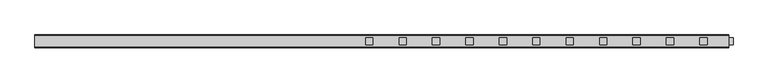
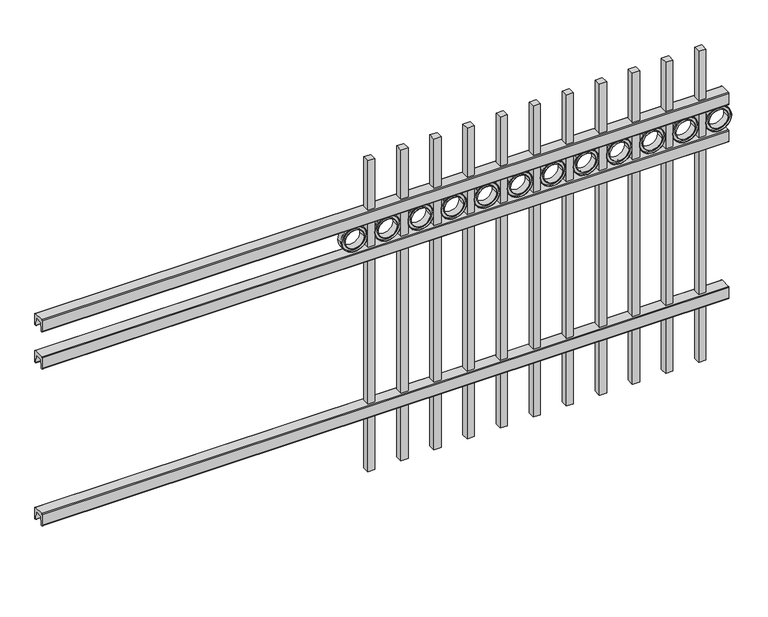
"""IFC4 building model written with IfcOpenShell, lengths in millimetres: railing geometry."""

from ifc_helpers import new_model, si_unit, point, frame, frame_2d, origin, place, context, project, spatial, polyline, circle_curve, trimmed, segment, composite_curve, outline, extrude, source, transform, mapped, element, save


def railing_80511166(model_context):
    return source(origin(), model_context, "Body", "SweptSolid", [
        extrude(outline(composite_curve([segment(polyline([(13397.9139761, 304.8), (13435.969541, 304.8)]), True, "CONTINUOUS"), segment(trimmed(circle_curve(frame_2d((13435.969541, 301.625)), 3.175), [point((13435.969541, 304.8))], [point((13439.144541, 301.625))], False, "CARTESIAN"), True, "CONTINUOUS"), segment(polyline([(13439.144541, 301.625), (13439.144541, 262.1439893)]), True, "CONTINUOUS"), segment(trimmed(circle_curve(frame_2d((13437.3505518, 262.1439893)), 1.7939893), [point((13439.144541, 262.1439893))], [point((13437.3505518, 260.35))], False, "CARTESIAN"), True, "CONTINUOUS"), segment(polyline([(13437.3505518, 260.35), (13434.7590713, 260.35)]), True, "CONTINUOUS"), segment(trimmed(circle_curve(frame_2d((13434.7590713, 262.1359375)), 1.7859375), [point((13434.7590713, 260.35))], [point((13432.9755813, 262.0424688))], False, "CARTESIAN"), True, "CONTINUOUS"), segment(polyline([(13432.9755813, 262.0424688), (13431.4025867, 292.0569942), (13402.4364954, 292.0569942), (13400.8635007, 262.0424688)]), True, "CONTINUOUS"), segment(trimmed(circle_curve(frame_2d((13399.0800108, 262.1359375)), 1.7859375), [point((13400.8635007, 262.0424688))], [point((13399.0800108, 260.35))], False, "CARTESIAN"), True, "CONTINUOUS"), segment(polyline([(13399.0800108, 260.35), (13396.4804785, 260.35)]), True, "CONTINUOUS"), segment(trimmed(circle_curve(frame_2d((13396.4804785, 262.1359375)), 1.7859375), [point((13396.4804785, 260.35))], [point((13394.694541, 262.1359375))], False, "CARTESIAN"), True, "CONTINUOUS"), segment(polyline([(13394.694541, 262.1359375), (13394.694541, 301.5805649)]), True, "CONTINUOUS"), segment(trimmed(circle_curve(frame_2d((13397.9139761, 301.5805649)), 3.2194351), [point((13394.694541, 301.5805649))], [point((13397.9139761, 304.8))], False, "CARTESIAN"), True, "CONTINUOUS")], self_intersect=False)), frame((11485.3350064, 0.0, 0.0), z_axis=(1.0, 0.0, 0.0), x_axis=(0.0, 1.0, 0.0)), (0.0, 0.0, 1.0), 2438.4),
        extrude(outline(composite_curve([segment(polyline([(13397.9139761, 893.7625), (13435.969541, 893.7625)]), True, "CONTINUOUS"), segment(trimmed(circle_curve(frame_2d((13435.969541, 890.5875)), 3.175), [point((13435.969541, 893.7625))], [point((13439.144541, 890.5875))], False, "CARTESIAN"), True, "CONTINUOUS"), segment(polyline([(13439.144541, 890.5875), (13439.144541, 851.1064893)]), True, "CONTINUOUS"), segment(trimmed(circle_curve(frame_2d((13437.3505518, 851.1064893)), 1.7939893), [point((13439.144541, 851.1064893))], [point((13437.3505518, 849.3125))], False, "CARTESIAN"), True, "CONTINUOUS"), segment(polyline([(13437.3505518, 849.3125), (13434.7590713, 849.3125)]), True, "CONTINUOUS"), segment(trimmed(circle_curve(frame_2d((13434.7590713, 851.0984375)), 1.7859375), [point((13434.7590713, 849.3125))], [point((13432.9755813, 851.0049688))], False, "CARTESIAN"), True, "CONTINUOUS"), segment(polyline([(13432.9755813, 851.0049688), (13431.4025867, 881.0194942), (13402.4364954, 881.0194942), (13400.8635007, 851.0049688)]), True, "CONTINUOUS"), segment(trimmed(circle_curve(frame_2d((13399.0800108, 851.0984375)), 1.7859375), [point((13400.8635007, 851.0049688))], [point((13399.0800108, 849.3125))], False, "CARTESIAN"), True, "CONTINUOUS"), segment(polyline([(13399.0800108, 849.3125), (13396.4804785, 849.3125)]), True, "CONTINUOUS"), segment(trimmed(circle_curve(frame_2d((13396.4804785, 851.0984375)), 1.7859375), [point((13396.4804785, 849.3125))], [point((13394.694541, 851.0984375))], False, "CARTESIAN"), True, "CONTINUOUS"), segment(polyline([(13394.694541, 851.0984375), (13394.694541, 890.5430649)]), True, "CONTINUOUS"), segment(trimmed(circle_curve(frame_2d((13397.9139761, 890.5430649)), 3.2194351), [point((13394.694541, 890.5430649))], [point((13397.9139761, 893.7625))], False, "CARTESIAN"), True, "CONTINUOUS")], self_intersect=False)), frame((11485.3350064, 0.0, 0.0), z_axis=(1.0, 0.0, 0.0), x_axis=(0.0, 1.0, 0.0)), (0.0, 0.0, 1.0), 2438.4),
        extrude(outline(composite_curve([segment(polyline([(13397.9139761, 1033.4625), (13435.969541, 1033.4625)]), True, "CONTINUOUS"), segment(trimmed(circle_curve(frame_2d((13435.969541, 1030.2875)), 3.175), [point((13435.969541, 1033.4625))], [point((13439.144541, 1030.2875))], False, "CARTESIAN"), True, "CONTINUOUS"), segment(polyline([(13439.144541, 1030.2875), (13439.144541, 990.8064893)]), True, "CONTINUOUS"), segment(trimmed(circle_curve(frame_2d((13437.3505518, 990.8064893)), 1.7939893), [point((13439.144541, 990.8064893))], [point((13437.3505518, 989.0125))], False, "CARTESIAN"), True, "CONTINUOUS"), segment(polyline([(13437.3505518, 989.0125), (13434.7590713, 989.0125)]), True, "CONTINUOUS"), segment(trimmed(circle_curve(frame_2d((13434.7590713, 990.7984375)), 1.7859375), [point((13434.7590713, 989.0125))], [point((13432.9755813, 990.7049688))], False, "CARTESIAN"), True, "CONTINUOUS"), segment(polyline([(13432.9755813, 990.7049688), (13431.4025867, 1020.7194942), (13402.4364954, 1020.7194942), (13400.8635007, 990.7049688)]), True, "CONTINUOUS"), segment(trimmed(circle_curve(frame_2d((13399.0800108, 990.7984375)), 1.7859375), [point((13400.8635007, 990.7049688))], [point((13399.0800108, 989.0125))], False, "CARTESIAN"), True, "CONTINUOUS"), segment(polyline([(13399.0800108, 989.0125), (13396.4804785, 989.0125)]), True, "CONTINUOUS"), segment(trimmed(circle_curve(frame_2d((13396.4804785, 990.7984375)), 1.7859375), [point((13396.4804785, 989.0125))], [point((13394.694541, 990.7984375))], False, "CARTESIAN"), True, "CONTINUOUS"), segment(polyline([(13394.694541, 990.7984375), (13394.694541, 1030.2430649)]), True, "CONTINUOUS"), segment(trimmed(circle_curve(frame_2d((13397.9139761, 1030.2430649)), 3.2194351), [point((13394.694541, 1030.2430649))], [point((13397.9139761, 1033.4625))], False, "CARTESIAN"), True, "CONTINUOUS")], self_intersect=False)), frame((11485.3350064, 0.0, 0.0), z_axis=(1.0, 0.0, 0.0), x_axis=(0.0, 1.0, 0.0)), (0.0, 0.0, 1.0), 2438.4),
        extrude(outline(composite_curve([segment(trimmed(circle_curve(frame_2d((940.6040076, 13893.2338655)), 45.6988591), [point((940.6040076, 13938.9327246))], [point((940.6040076, 13847.5350064))], False, "CARTESIAN"), True, "CONTINUOUS"), segment(trimmed(circle_curve(frame_2d((940.6040076, 13893.2338655)), 45.6988591), [point((940.6040076, 13847.5350064))], [point((940.6040076, 13938.9327246))], False, "CARTESIAN"), True, "CONTINUOUS")], self_intersect=False), holes=[composite_curve([segment(trimmed(circle_curve(frame_2d((940.6040076, 13893.2338655)), 44.101539), [point((940.6040076, 13937.3354045))], [point((940.6040076, 13849.1323265))], True, "CARTESIAN"), True, "CONTINUOUS"), segment(trimmed(circle_curve(frame_2d((940.6040076, 13893.2338655)), 44.101539), [point((940.6040076, 13849.1323265))], [point((940.6040076, 13937.3354045))], True, "CARTESIAN"), True, "CONTINUOUS")], self_intersect=False)]), frame((0.0, 13404.219541, 0.0), z_axis=(0.0, 1.0, 0.0), x_axis=(0.0, 0.0, 1.0)), (0.0, 0.0, 1.0), 25.4),
        extrude(outline(composite_curve([segment(trimmed(circle_curve(frame_2d((940.6040076, 13893.2338655)), 34.6370762), [point((940.6040076, 13927.8709417))], [point((940.6040076, 13858.5967893))], False, "CARTESIAN"), True, "CONTINUOUS"), segment(trimmed(circle_curve(frame_2d((940.6040076, 13893.2338655)), 34.6370762), [point((940.6040076, 13858.5967893))], [point((940.6040076, 13927.8709417))], False, "CARTESIAN"), True, "CONTINUOUS")], self_intersect=False), holes=[composite_curve([segment(trimmed(circle_curve(frame_2d((940.6040076, 13893.2338655)), 33.0443887), [point((940.6040076, 13926.2782542))], [point((940.6040076, 13860.1894768))], True, "CARTESIAN"), True, "CONTINUOUS"), segment(trimmed(circle_curve(frame_2d((940.6040076, 13893.2338655)), 33.0443887), [point((940.6040076, 13860.1894768))], [point((940.6040076, 13926.2782542))], True, "CARTESIAN"), True, "CONTINUOUS")], self_intersect=False)]), frame((0.0, 13404.219541, 0.0), z_axis=(0.0, 1.0, 0.0), x_axis=(0.0, 0.0, 1.0)), (0.0, 0.0, 1.0), 25.4),
        extrude(outline(composite_curve([segment(trimmed(circle_curve(frame_2d((940.6040076, 13893.2338655)), 45.6988591), [point((940.6040076, 13938.9327246))], [point((940.6040076, 13847.5350064))], False, "CARTESIAN"), True, "CONTINUOUS"), segment(trimmed(circle_curve(frame_2d((940.6040076, 13893.2338655)), 45.6988591), [point((940.6040076, 13847.5350064))], [point((940.6040076, 13938.9327246))], False, "CARTESIAN"), True, "CONTINUOUS")], self_intersect=False), holes=[composite_curve([segment(trimmed(circle_curve(frame_2d((940.6040076, 13893.2338655)), 33.0443887), [point((940.6040076, 13926.2782542))], [point((940.6040076, 13860.1894768))], True, "CARTESIAN"), True, "CONTINUOUS"), segment(trimmed(circle_curve(frame_2d((940.6040076, 13893.2338655)), 33.0443887), [point((940.6040076, 13860.1894768))], [point((940.6040076, 13926.2782542))], True, "CARTESIAN"), True, "CONTINUOUS")], self_intersect=False)]), frame((0.0, 13410.569541, 0.0), z_axis=(0.0, 1.0, 0.0), x_axis=(0.0, 0.0, 1.0)), (0.0, 0.0, 1.0), 12.7),
        extrude(outline(polyline([(13822.1350064, 13429.619541), (13847.5350064, 13429.619541), (13847.5350064, 13404.219541), (13822.1350064, 13404.219541), (13822.1350064, 13429.619541)])), frame((0.0, 0.0, 50.8), z_axis=(0.0, 0.0, 1.0), x_axis=(1.0, 0.0, 0.0)), (0.0, 0.0, 1.0), 1168.4),
        extrude(outline(composite_curve([segment(trimmed(circle_curve(frame_2d((940.6040076, 13775.7588655)), 45.6988591), [point((940.6040076, 13821.4577246))], [point((940.6040076, 13730.0600064))], False, "CARTESIAN"), True, "CONTINUOUS"), segment(trimmed(circle_curve(frame_2d((940.6040076, 13775.7588655)), 45.6988591), [point((940.6040076, 13730.0600064))], [point((940.6040076, 13821.4577246))], False, "CARTESIAN"), True, "CONTINUOUS")], self_intersect=False), holes=[composite_curve([segment(trimmed(circle_curve(frame_2d((940.6040076, 13775.7588655)), 44.101539), [point((940.6040076, 13819.8604045))], [point((940.6040076, 13731.6573265))], True, "CARTESIAN"), True, "CONTINUOUS"), segment(trimmed(circle_curve(frame_2d((940.6040076, 13775.7588655)), 44.101539), [point((940.6040076, 13731.6573265))], [point((940.6040076, 13819.8604045))], True, "CARTESIAN"), True, "CONTINUOUS")], self_intersect=False)]), frame((0.0, 13404.219541, 0.0), z_axis=(0.0, 1.0, 0.0), x_axis=(0.0, 0.0, 1.0)), (0.0, 0.0, 1.0), 25.4),
        extrude(outline(composite_curve([segment(trimmed(circle_curve(frame_2d((940.6040076, 13775.7588655)), 34.6370762), [point((940.6040076, 13810.3959417))], [point((940.6040076, 13741.1217893))], False, "CARTESIAN"), True, "CONTINUOUS"), segment(trimmed(circle_curve(frame_2d((940.6040076, 13775.7588655)), 34.6370762), [point((940.6040076, 13741.1217893))], [point((940.6040076, 13810.3959417))], False, "CARTESIAN"), True, "CONTINUOUS")], self_intersect=False), holes=[composite_curve([segment(trimmed(circle_curve(frame_2d((940.6040076, 13775.7588655)), 33.0443887), [point((940.6040076, 13808.8032542))], [point((940.6040076, 13742.7144768))], True, "CARTESIAN"), True, "CONTINUOUS"), segment(trimmed(circle_curve(frame_2d((940.6040076, 13775.7588655)), 33.0443887), [point((940.6040076, 13742.7144768))], [point((940.6040076, 13808.8032542))], True, "CARTESIAN"), True, "CONTINUOUS")], self_intersect=False)]), frame((0.0, 13404.219541, 0.0), z_axis=(0.0, 1.0, 0.0), x_axis=(0.0, 0.0, 1.0)), (0.0, 0.0, 1.0), 25.4),
        extrude(outline(composite_curve([segment(trimmed(circle_curve(frame_2d((940.6040076, 13775.7588655)), 45.6988591), [point((940.6040076, 13821.4577246))], [point((940.6040076, 13730.0600064))], False, "CARTESIAN"), True, "CONTINUOUS"), segment(trimmed(circle_curve(frame_2d((940.6040076, 13775.7588655)), 45.6988591), [point((940.6040076, 13730.0600064))], [point((940.6040076, 13821.4577246))], False, "CARTESIAN"), True, "CONTINUOUS")], self_intersect=False), holes=[composite_curve([segment(trimmed(circle_curve(frame_2d((940.6040076, 13775.7588655)), 33.0443887), [point((940.6040076, 13808.8032542))], [point((940.6040076, 13742.7144768))], True, "CARTESIAN"), True, "CONTINUOUS"), segment(trimmed(circle_curve(frame_2d((940.6040076, 13775.7588655)), 33.0443887), [point((940.6040076, 13742.7144768))], [point((940.6040076, 13808.8032542))], True, "CARTESIAN"), True, "CONTINUOUS")], self_intersect=False)]), frame((0.0, 13410.569541, 0.0), z_axis=(0.0, 1.0, 0.0), x_axis=(0.0, 0.0, 1.0)), (0.0, 0.0, 1.0), 12.7),
        extrude(outline(polyline([(13704.6600064, 13429.619541), (13730.0600064, 13429.619541), (13730.0600064, 13404.219541), (13704.6600064, 13404.219541), (13704.6600064, 13429.619541)])), frame((0.0, 0.0, 50.8), z_axis=(0.0, 0.0, 1.0), x_axis=(1.0, 0.0, 0.0)), (0.0, 0.0, 1.0), 1168.4),
        extrude(outline(composite_curve([segment(trimmed(circle_curve(frame_2d((940.6040076, 13658.2838655)), 45.6988591), [point((940.6040076, 13703.9827246))], [point((940.6040076, 13612.5850064))], False, "CARTESIAN"), True, "CONTINUOUS"), segment(trimmed(circle_curve(frame_2d((940.6040076, 13658.2838655)), 45.6988591), [point((940.6040076, 13612.5850064))], [point((940.6040076, 13703.9827246))], False, "CARTESIAN"), True, "CONTINUOUS")], self_intersect=False), holes=[composite_curve([segment(trimmed(circle_curve(frame_2d((940.6040076, 13658.2838655)), 44.101539), [point((940.6040076, 13702.3854045))], [point((940.6040076, 13614.1823265))], True, "CARTESIAN"), True, "CONTINUOUS"), segment(trimmed(circle_curve(frame_2d((940.6040076, 13658.2838655)), 44.101539), [point((940.6040076, 13614.1823265))], [point((940.6040076, 13702.3854045))], True, "CARTESIAN"), True, "CONTINUOUS")], self_intersect=False)]), frame((0.0, 13404.219541, 0.0), z_axis=(0.0, 1.0, 0.0), x_axis=(0.0, 0.0, 1.0)), (0.0, 0.0, 1.0), 25.4),
        extrude(outline(composite_curve([segment(trimmed(circle_curve(frame_2d((940.6040076, 13658.2838655)), 34.6370762), [point((940.6040076, 13692.9209417))], [point((940.6040076, 13623.6467893))], False, "CARTESIAN"), True, "CONTINUOUS"), segment(trimmed(circle_curve(frame_2d((940.6040076, 13658.2838655)), 34.6370762), [point((940.6040076, 13623.6467893))], [point((940.6040076, 13692.9209417))], False, "CARTESIAN"), True, "CONTINUOUS")], self_intersect=False), holes=[composite_curve([segment(trimmed(circle_curve(frame_2d((940.6040076, 13658.2838655)), 33.0443887), [point((940.6040076, 13691.3282542))], [point((940.6040076, 13625.2394768))], True, "CARTESIAN"), True, "CONTINUOUS"), segment(trimmed(circle_curve(frame_2d((940.6040076, 13658.2838655)), 33.0443887), [point((940.6040076, 13625.2394768))], [point((940.6040076, 13691.3282542))], True, "CARTESIAN"), True, "CONTINUOUS")], self_intersect=False)]), frame((0.0, 13404.219541, 0.0), z_axis=(0.0, 1.0, 0.0), x_axis=(0.0, 0.0, 1.0)), (0.0, 0.0, 1.0), 25.4),
        extrude(outline(composite_curve([segment(trimmed(circle_curve(frame_2d((940.6040076, 13658.2838655)), 45.6988591), [point((940.6040076, 13703.9827246))], [point((940.6040076, 13612.5850064))], False, "CARTESIAN"), True, "CONTINUOUS"), segment(trimmed(circle_curve(frame_2d((940.6040076, 13658.2838655)), 45.6988591), [point((940.6040076, 13612.5850064))], [point((940.6040076, 13703.9827246))], False, "CARTESIAN"), True, "CONTINUOUS")], self_intersect=False), holes=[composite_curve([segment(trimmed(circle_curve(frame_2d((940.6040076, 13658.2838655)), 33.0443887), [point((940.6040076, 13691.3282542))], [point((940.6040076, 13625.2394768))], True, "CARTESIAN"), True, "CONTINUOUS"), segment(trimmed(circle_curve(frame_2d((940.6040076, 13658.2838655)), 33.0443887), [point((940.6040076, 13625.2394768))], [point((940.6040076, 13691.3282542))], True, "CARTESIAN"), True, "CONTINUOUS")], self_intersect=False)]), frame((0.0, 13410.569541, 0.0), z_axis=(0.0, 1.0, 0.0), x_axis=(0.0, 0.0, 1.0)), (0.0, 0.0, 1.0), 12.7),
        extrude(outline(polyline([(13587.1850064, 13429.619541), (13612.5850064, 13429.619541), (13612.5850064, 13404.219541), (13587.1850064, 13404.219541), (13587.1850064, 13429.619541)])), frame((0.0, 0.0, 50.8), z_axis=(0.0, 0.0, 1.0), x_axis=(1.0, 0.0, 0.0)), (0.0, 0.0, 1.0), 1168.4),
        extrude(outline(composite_curve([segment(trimmed(circle_curve(frame_2d((940.6040076, 13540.8088655)), 45.6988591), [point((940.6040076, 13586.5077246))], [point((940.6040076, 13495.1100064))], False, "CARTESIAN"), True, "CONTINUOUS"), segment(trimmed(circle_curve(frame_2d((940.6040076, 13540.8088655)), 45.6988591), [point((940.6040076, 13495.1100064))], [point((940.6040076, 13586.5077246))], False, "CARTESIAN"), True, "CONTINUOUS")], self_intersect=False), holes=[composite_curve([segment(trimmed(circle_curve(frame_2d((940.6040076, 13540.8088655)), 44.101539), [point((940.6040076, 13584.9104045))], [point((940.6040076, 13496.7073265))], True, "CARTESIAN"), True, "CONTINUOUS"), segment(trimmed(circle_curve(frame_2d((940.6040076, 13540.8088655)), 44.101539), [point((940.6040076, 13496.7073265))], [point((940.6040076, 13584.9104045))], True, "CARTESIAN"), True, "CONTINUOUS")], self_intersect=False)]), frame((0.0, 13404.219541, 0.0), z_axis=(0.0, 1.0, 0.0), x_axis=(0.0, 0.0, 1.0)), (0.0, 0.0, 1.0), 25.4),
        extrude(outline(composite_curve([segment(trimmed(circle_curve(frame_2d((940.6040076, 13540.8088655)), 34.6370762), [point((940.6040076, 13575.4459417))], [point((940.6040076, 13506.1717893))], False, "CARTESIAN"), True, "CONTINUOUS"), segment(trimmed(circle_curve(frame_2d((940.6040076, 13540.8088655)), 34.6370762), [point((940.6040076, 13506.1717893))], [point((940.6040076, 13575.4459417))], False, "CARTESIAN"), True, "CONTINUOUS")], self_intersect=False), holes=[composite_curve([segment(trimmed(circle_curve(frame_2d((940.6040076, 13540.8088655)), 33.0443887), [point((940.6040076, 13573.8532542))], [point((940.6040076, 13507.7644768))], True, "CARTESIAN"), True, "CONTINUOUS"), segment(trimmed(circle_curve(frame_2d((940.6040076, 13540.8088655)), 33.0443887), [point((940.6040076, 13507.7644768))], [point((940.6040076, 13573.8532542))], True, "CARTESIAN"), True, "CONTINUOUS")], self_intersect=False)]), frame((0.0, 13404.219541, 0.0), z_axis=(0.0, 1.0, 0.0), x_axis=(0.0, 0.0, 1.0)), (0.0, 0.0, 1.0), 25.4),
        extrude(outline(composite_curve([segment(trimmed(circle_curve(frame_2d((940.6040076, 13540.8088655)), 45.6988591), [point((940.6040076, 13586.5077246))], [point((940.6040076, 13495.1100064))], False, "CARTESIAN"), True, "CONTINUOUS"), segment(trimmed(circle_curve(frame_2d((940.6040076, 13540.8088655)), 45.6988591), [point((940.6040076, 13495.1100064))], [point((940.6040076, 13586.5077246))], False, "CARTESIAN"), True, "CONTINUOUS")], self_intersect=False), holes=[composite_curve([segment(trimmed(circle_curve(frame_2d((940.6040076, 13540.8088655)), 33.0443887), [point((940.6040076, 13573.8532542))], [point((940.6040076, 13507.7644768))], True, "CARTESIAN"), True, "CONTINUOUS"), segment(trimmed(circle_curve(frame_2d((940.6040076, 13540.8088655)), 33.0443887), [point((940.6040076, 13507.7644768))], [point((940.6040076, 13573.8532542))], True, "CARTESIAN"), True, "CONTINUOUS")], self_intersect=False)]), frame((0.0, 13410.569541, 0.0), z_axis=(0.0, 1.0, 0.0), x_axis=(0.0, 0.0, 1.0)), (0.0, 0.0, 1.0), 12.7),
        extrude(outline(polyline([(13469.7100064, 13429.619541), (13495.1100064, 13429.619541), (13495.1100064, 13404.219541), (13469.7100064, 13404.219541), (13469.7100064, 13429.619541)])), frame((0.0, 0.0, 50.8), z_axis=(0.0, 0.0, 1.0), x_axis=(1.0, 0.0, 0.0)), (0.0, 0.0, 1.0), 1168.4),
        extrude(outline(composite_curve([segment(trimmed(circle_curve(frame_2d((940.6040076, 13423.3338655)), 45.6988591), [point((940.6040076, 13469.0327246))], [point((940.6040076, 13377.6350064))], False, "CARTESIAN"), True, "CONTINUOUS"), segment(trimmed(circle_curve(frame_2d((940.6040076, 13423.3338655)), 45.6988591), [point((940.6040076, 13377.6350064))], [point((940.6040076, 13469.0327246))], False, "CARTESIAN"), True, "CONTINUOUS")], self_intersect=False), holes=[composite_curve([segment(trimmed(circle_curve(frame_2d((940.6040076, 13423.3338655)), 44.101539), [point((940.6040076, 13467.4354045))], [point((940.6040076, 13379.2323265))], True, "CARTESIAN"), True, "CONTINUOUS"), segment(trimmed(circle_curve(frame_2d((940.6040076, 13423.3338655)), 44.101539), [point((940.6040076, 13379.2323265))], [point((940.6040076, 13467.4354045))], True, "CARTESIAN"), True, "CONTINUOUS")], self_intersect=False)]), frame((0.0, 13404.219541, 0.0), z_axis=(0.0, 1.0, 0.0), x_axis=(0.0, 0.0, 1.0)), (0.0, 0.0, 1.0), 25.4),
        extrude(outline(composite_curve([segment(trimmed(circle_curve(frame_2d((940.6040076, 13423.3338655)), 34.6370762), [point((940.6040076, 13457.9709417))], [point((940.6040076, 13388.6967893))], False, "CARTESIAN"), True, "CONTINUOUS"), segment(trimmed(circle_curve(frame_2d((940.6040076, 13423.3338655)), 34.6370762), [point((940.6040076, 13388.6967893))], [point((940.6040076, 13457.9709417))], False, "CARTESIAN"), True, "CONTINUOUS")], self_intersect=False), holes=[composite_curve([segment(trimmed(circle_curve(frame_2d((940.6040076, 13423.3338655)), 33.0443887), [point((940.6040076, 13456.3782542))], [point((940.6040076, 13390.2894768))], True, "CARTESIAN"), True, "CONTINUOUS"), segment(trimmed(circle_curve(frame_2d((940.6040076, 13423.3338655)), 33.0443887), [point((940.6040076, 13390.2894768))], [point((940.6040076, 13456.3782542))], True, "CARTESIAN"), True, "CONTINUOUS")], self_intersect=False)]), frame((0.0, 13404.219541, 0.0), z_axis=(0.0, 1.0, 0.0), x_axis=(0.0, 0.0, 1.0)), (0.0, 0.0, 1.0), 25.4),
        extrude(outline(composite_curve([segment(trimmed(circle_curve(frame_2d((940.6040076, 13423.3338655)), 45.6988591), [point((940.6040076, 13469.0327246))], [point((940.6040076, 13377.6350064))], False, "CARTESIAN"), True, "CONTINUOUS"), segment(trimmed(circle_curve(frame_2d((940.6040076, 13423.3338655)), 45.6988591), [point((940.6040076, 13377.6350064))], [point((940.6040076, 13469.0327246))], False, "CARTESIAN"), True, "CONTINUOUS")], self_intersect=False), holes=[composite_curve([segment(trimmed(circle_curve(frame_2d((940.6040076, 13423.3338655)), 33.0443887), [point((940.6040076, 13456.3782542))], [point((940.6040076, 13390.2894768))], True, "CARTESIAN"), True, "CONTINUOUS"), segment(trimmed(circle_curve(frame_2d((940.6040076, 13423.3338655)), 33.0443887), [point((940.6040076, 13390.2894768))], [point((940.6040076, 13456.3782542))], True, "CARTESIAN"), True, "CONTINUOUS")], self_intersect=False)]), frame((0.0, 13410.569541, 0.0), z_axis=(0.0, 1.0, 0.0), x_axis=(0.0, 0.0, 1.0)), (0.0, 0.0, 1.0), 12.7),
        extrude(outline(polyline([(13352.2350064, 13429.619541), (13377.6350064, 13429.619541), (13377.6350064, 13404.219541), (13352.2350064, 13404.219541), (13352.2350064, 13429.619541)])), frame((0.0, 0.0, 50.8), z_axis=(0.0, 0.0, 1.0), x_axis=(1.0, 0.0, 0.0)), (0.0, 0.0, 1.0), 1168.4),
        extrude(outline(composite_curve([segment(trimmed(circle_curve(frame_2d((940.6040076, 13305.8588655)), 45.6988591), [point((940.6040076, 13351.5577246))], [point((940.6040076, 13260.1600064))], False, "CARTESIAN"), True, "CONTINUOUS"), segment(trimmed(circle_curve(frame_2d((940.6040076, 13305.8588655)), 45.6988591), [point((940.6040076, 13260.1600064))], [point((940.6040076, 13351.5577246))], False, "CARTESIAN"), True, "CONTINUOUS")], self_intersect=False), holes=[composite_curve([segment(trimmed(circle_curve(frame_2d((940.6040076, 13305.8588655)), 44.101539), [point((940.6040076, 13349.9604045))], [point((940.6040076, 13261.7573265))], True, "CARTESIAN"), True, "CONTINUOUS"), segment(trimmed(circle_curve(frame_2d((940.6040076, 13305.8588655)), 44.101539), [point((940.6040076, 13261.7573265))], [point((940.6040076, 13349.9604045))], True, "CARTESIAN"), True, "CONTINUOUS")], self_intersect=False)]), frame((0.0, 13404.219541, 0.0), z_axis=(0.0, 1.0, 0.0), x_axis=(0.0, 0.0, 1.0)), (0.0, 0.0, 1.0), 25.4),
        extrude(outline(composite_curve([segment(trimmed(circle_curve(frame_2d((940.6040076, 13305.8588655)), 34.6370762), [point((940.6040076, 13340.4959417))], [point((940.6040076, 13271.2217893))], False, "CARTESIAN"), True, "CONTINUOUS"), segment(trimmed(circle_curve(frame_2d((940.6040076, 13305.8588655)), 34.6370762), [point((940.6040076, 13271.2217893))], [point((940.6040076, 13340.4959417))], False, "CARTESIAN"), True, "CONTINUOUS")], self_intersect=False), holes=[composite_curve([segment(trimmed(circle_curve(frame_2d((940.6040076, 13305.8588655)), 33.0443887), [point((940.6040076, 13338.9032542))], [point((940.6040076, 13272.8144768))], True, "CARTESIAN"), True, "CONTINUOUS"), segment(trimmed(circle_curve(frame_2d((940.6040076, 13305.8588655)), 33.0443887), [point((940.6040076, 13272.8144768))], [point((940.6040076, 13338.9032542))], True, "CARTESIAN"), True, "CONTINUOUS")], self_intersect=False)]), frame((0.0, 13404.219541, 0.0), z_axis=(0.0, 1.0, 0.0), x_axis=(0.0, 0.0, 1.0)), (0.0, 0.0, 1.0), 25.4),
        extrude(outline(composite_curve([segment(trimmed(circle_curve(frame_2d((940.6040076, 13305.8588655)), 45.6988591), [point((940.6040076, 13351.5577246))], [point((940.6040076, 13260.1600064))], False, "CARTESIAN"), True, "CONTINUOUS"), segment(trimmed(circle_curve(frame_2d((940.6040076, 13305.8588655)), 45.6988591), [point((940.6040076, 13260.1600064))], [point((940.6040076, 13351.5577246))], False, "CARTESIAN"), True, "CONTINUOUS")], self_intersect=False), holes=[composite_curve([segment(trimmed(circle_curve(frame_2d((940.6040076, 13305.8588655)), 33.0443887), [point((940.6040076, 13338.9032542))], [point((940.6040076, 13272.8144768))], True, "CARTESIAN"), True, "CONTINUOUS"), segment(trimmed(circle_curve(frame_2d((940.6040076, 13305.8588655)), 33.0443887), [point((940.6040076, 13272.8144768))], [point((940.6040076, 13338.9032542))], True, "CARTESIAN"), True, "CONTINUOUS")], self_intersect=False)]), frame((0.0, 13410.569541, 0.0), z_axis=(0.0, 1.0, 0.0), x_axis=(0.0, 0.0, 1.0)), (0.0, 0.0, 1.0), 12.7),
        extrude(outline(polyline([(13234.7600064, 13429.619541), (13260.1600064, 13429.619541), (13260.1600064, 13404.219541), (13234.7600064, 13404.219541), (13234.7600064, 13429.619541)])), frame((0.0, 0.0, 50.8), z_axis=(0.0, 0.0, 1.0), x_axis=(1.0, 0.0, 0.0)), (0.0, 0.0, 1.0), 1168.4),
        extrude(outline(composite_curve([segment(trimmed(circle_curve(frame_2d((940.6040076, 13188.3838655)), 45.6988591), [point((940.6040076, 13234.0827246))], [point((940.6040076, 13142.6850064))], False, "CARTESIAN"), True, "CONTINUOUS"), segment(trimmed(circle_curve(frame_2d((940.6040076, 13188.3838655)), 45.6988591), [point((940.6040076, 13142.6850064))], [point((940.6040076, 13234.0827246))], False, "CARTESIAN"), True, "CONTINUOUS")], self_intersect=False), holes=[composite_curve([segment(trimmed(circle_curve(frame_2d((940.6040076, 13188.3838655)), 44.101539), [point((940.6040076, 13232.4854045))], [point((940.6040076, 13144.2823265))], True, "CARTESIAN"), True, "CONTINUOUS"), segment(trimmed(circle_curve(frame_2d((940.6040076, 13188.3838655)), 44.101539), [point((940.6040076, 13144.2823265))], [point((940.6040076, 13232.4854045))], True, "CARTESIAN"), True, "CONTINUOUS")], self_intersect=False)]), frame((0.0, 13404.219541, 0.0), z_axis=(0.0, 1.0, 0.0), x_axis=(0.0, 0.0, 1.0)), (0.0, 0.0, 1.0), 25.4),
        extrude(outline(composite_curve([segment(trimmed(circle_curve(frame_2d((940.6040076, 13188.3838655)), 34.6370762), [point((940.6040076, 13223.0209417))], [point((940.6040076, 13153.7467893))], False, "CARTESIAN"), True, "CONTINUOUS"), segment(trimmed(circle_curve(frame_2d((940.6040076, 13188.3838655)), 34.6370762), [point((940.6040076, 13153.7467893))], [point((940.6040076, 13223.0209417))], False, "CARTESIAN"), True, "CONTINUOUS")], self_intersect=False), holes=[composite_curve([segment(trimmed(circle_curve(frame_2d((940.6040076, 13188.3838655)), 33.0443887), [point((940.6040076, 13221.4282542))], [point((940.6040076, 13155.3394768))], True, "CARTESIAN"), True, "CONTINUOUS"), segment(trimmed(circle_curve(frame_2d((940.6040076, 13188.3838655)), 33.0443887), [point((940.6040076, 13155.3394768))], [point((940.6040076, 13221.4282542))], True, "CARTESIAN"), True, "CONTINUOUS")], self_intersect=False)]), frame((0.0, 13404.219541, 0.0), z_axis=(0.0, 1.0, 0.0), x_axis=(0.0, 0.0, 1.0)), (0.0, 0.0, 1.0), 25.4),
        extrude(outline(composite_curve([segment(trimmed(circle_curve(frame_2d((940.6040076, 13188.3838655)), 45.6988591), [point((940.6040076, 13234.0827246))], [point((940.6040076, 13142.6850064))], False, "CARTESIAN"), True, "CONTINUOUS"), segment(trimmed(circle_curve(frame_2d((940.6040076, 13188.3838655)), 45.6988591), [point((940.6040076, 13142.6850064))], [point((940.6040076, 13234.0827246))], False, "CARTESIAN"), True, "CONTINUOUS")], self_intersect=False), holes=[composite_curve([segment(trimmed(circle_curve(frame_2d((940.6040076, 13188.3838655)), 33.0443887), [point((940.6040076, 13221.4282542))], [point((940.6040076, 13155.3394768))], True, "CARTESIAN"), True, "CONTINUOUS"), segment(trimmed(circle_curve(frame_2d((940.6040076, 13188.3838655)), 33.0443887), [point((940.6040076, 13155.3394768))], [point((940.6040076, 13221.4282542))], True, "CARTESIAN"), True, "CONTINUOUS")], self_intersect=False)]), frame((0.0, 13410.569541, 0.0), z_axis=(0.0, 1.0, 0.0), x_axis=(0.0, 0.0, 1.0)), (0.0, 0.0, 1.0), 12.7),
        extrude(outline(polyline([(13117.2850064, 13429.619541), (13142.6850064, 13429.619541), (13142.6850064, 13404.219541), (13117.2850064, 13404.219541), (13117.2850064, 13429.619541)])), frame((0.0, 0.0, 50.8), z_axis=(0.0, 0.0, 1.0), x_axis=(1.0, 0.0, 0.0)), (0.0, 0.0, 1.0), 1168.4),
        extrude(outline(composite_curve([segment(trimmed(circle_curve(frame_2d((940.6040076, 13070.9088655)), 45.6988591), [point((940.6040076, 13116.6077246))], [point((940.6040076, 13025.2100064))], False, "CARTESIAN"), True, "CONTINUOUS"), segment(trimmed(circle_curve(frame_2d((940.6040076, 13070.9088655)), 45.6988591), [point((940.6040076, 13025.2100064))], [point((940.6040076, 13116.6077246))], False, "CARTESIAN"), True, "CONTINUOUS")], self_intersect=False), holes=[composite_curve([segment(trimmed(circle_curve(frame_2d((940.6040076, 13070.9088655)), 44.101539), [point((940.6040076, 13115.0104045))], [point((940.6040076, 13026.8073265))], True, "CARTESIAN"), True, "CONTINUOUS"), segment(trimmed(circle_curve(frame_2d((940.6040076, 13070.9088655)), 44.101539), [point((940.6040076, 13026.8073265))], [point((940.6040076, 13115.0104045))], True, "CARTESIAN"), True, "CONTINUOUS")], self_intersect=False)]), frame((0.0, 13404.219541, 0.0), z_axis=(0.0, 1.0, 0.0), x_axis=(0.0, 0.0, 1.0)), (0.0, 0.0, 1.0), 25.4),
        extrude(outline(composite_curve([segment(trimmed(circle_curve(frame_2d((940.6040076, 13070.9088655)), 34.6370762), [point((940.6040076, 13105.5459417))], [point((940.6040076, 13036.2717893))], False, "CARTESIAN"), True, "CONTINUOUS"), segment(trimmed(circle_curve(frame_2d((940.6040076, 13070.9088655)), 34.6370762), [point((940.6040076, 13036.2717893))], [point((940.6040076, 13105.5459417))], False, "CARTESIAN"), True, "CONTINUOUS")], self_intersect=False), holes=[composite_curve([segment(trimmed(circle_curve(frame_2d((940.6040076, 13070.9088655)), 33.0443887), [point((940.6040076, 13103.9532542))], [point((940.6040076, 13037.8644768))], True, "CARTESIAN"), True, "CONTINUOUS"), segment(trimmed(circle_curve(frame_2d((940.6040076, 13070.9088655)), 33.0443887), [point((940.6040076, 13037.8644768))], [point((940.6040076, 13103.9532542))], True, "CARTESIAN"), True, "CONTINUOUS")], self_intersect=False)]), frame((0.0, 13404.219541, 0.0), z_axis=(0.0, 1.0, 0.0), x_axis=(0.0, 0.0, 1.0)), (0.0, 0.0, 1.0), 25.4),
        extrude(outline(composite_curve([segment(trimmed(circle_curve(frame_2d((940.6040076, 13070.9088655)), 45.6988591), [point((940.6040076, 13116.6077246))], [point((940.6040076, 13025.2100064))], False, "CARTESIAN"), True, "CONTINUOUS"), segment(trimmed(circle_curve(frame_2d((940.6040076, 13070.9088655)), 45.6988591), [point((940.6040076, 13025.2100064))], [point((940.6040076, 13116.6077246))], False, "CARTESIAN"), True, "CONTINUOUS")], self_intersect=False), holes=[composite_curve([segment(trimmed(circle_curve(frame_2d((940.6040076, 13070.9088655)), 33.0443887), [point((940.6040076, 13103.9532542))], [point((940.6040076, 13037.8644768))], True, "CARTESIAN"), True, "CONTINUOUS"), segment(trimmed(circle_curve(frame_2d((940.6040076, 13070.9088655)), 33.0443887), [point((940.6040076, 13037.8644768))], [point((940.6040076, 13103.9532542))], True, "CARTESIAN"), True, "CONTINUOUS")], self_intersect=False)]), frame((0.0, 13410.569541, 0.0), z_axis=(0.0, 1.0, 0.0), x_axis=(0.0, 0.0, 1.0)), (0.0, 0.0, 1.0), 12.7),
        extrude(outline(polyline([(12999.8100064, 13429.619541), (13025.2100064, 13429.619541), (13025.2100064, 13404.219541), (12999.8100064, 13404.219541), (12999.8100064, 13429.619541)])), frame((0.0, 0.0, 50.8), z_axis=(0.0, 0.0, 1.0), x_axis=(1.0, 0.0, 0.0)), (0.0, 0.0, 1.0), 1168.4),
        extrude(outline(composite_curve([segment(trimmed(circle_curve(frame_2d((940.6040076, 12953.4338655)), 45.6988591), [point((940.6040076, 12999.1327246))], [point((940.6040076, 12907.7350064))], False, "CARTESIAN"), True, "CONTINUOUS"), segment(trimmed(circle_curve(frame_2d((940.6040076, 12953.4338655)), 45.6988591), [point((940.6040076, 12907.7350064))], [point((940.6040076, 12999.1327246))], False, "CARTESIAN"), True, "CONTINUOUS")], self_intersect=False), holes=[composite_curve([segment(trimmed(circle_curve(frame_2d((940.6040076, 12953.4338655)), 44.101539), [point((940.6040076, 12997.5354045))], [point((940.6040076, 12909.3323265))], True, "CARTESIAN"), True, "CONTINUOUS"), segment(trimmed(circle_curve(frame_2d((940.6040076, 12953.4338655)), 44.101539), [point((940.6040076, 12909.3323265))], [point((940.6040076, 12997.5354045))], True, "CARTESIAN"), True, "CONTINUOUS")], self_intersect=False)]), frame((0.0, 13404.219541, 0.0), z_axis=(0.0, 1.0, 0.0), x_axis=(0.0, 0.0, 1.0)), (0.0, 0.0, 1.0), 25.4),
        extrude(outline(composite_curve([segment(trimmed(circle_curve(frame_2d((940.6040076, 12953.4338655)), 34.6370762), [point((940.6040076, 12988.0709417))], [point((940.6040076, 12918.7967893))], False, "CARTESIAN"), True, "CONTINUOUS"), segment(trimmed(circle_curve(frame_2d((940.6040076, 12953.4338655)), 34.6370762), [point((940.6040076, 12918.7967893))], [point((940.6040076, 12988.0709417))], False, "CARTESIAN"), True, "CONTINUOUS")], self_intersect=False), holes=[composite_curve([segment(trimmed(circle_curve(frame_2d((940.6040076, 12953.4338655)), 33.0443887), [point((940.6040076, 12986.4782542))], [point((940.6040076, 12920.3894768))], True, "CARTESIAN"), True, "CONTINUOUS"), segment(trimmed(circle_curve(frame_2d((940.6040076, 12953.4338655)), 33.0443887), [point((940.6040076, 12920.3894768))], [point((940.6040076, 12986.4782542))], True, "CARTESIAN"), True, "CONTINUOUS")], self_intersect=False)]), frame((0.0, 13404.219541, 0.0), z_axis=(0.0, 1.0, 0.0), x_axis=(0.0, 0.0, 1.0)), (0.0, 0.0, 1.0), 25.4),
        extrude(outline(composite_curve([segment(trimmed(circle_curve(frame_2d((940.6040076, 12953.4338655)), 45.6988591), [point((940.6040076, 12999.1327246))], [point((940.6040076, 12907.7350064))], False, "CARTESIAN"), True, "CONTINUOUS"), segment(trimmed(circle_curve(frame_2d((940.6040076, 12953.4338655)), 45.6988591), [point((940.6040076, 12907.7350064))], [point((940.6040076, 12999.1327246))], False, "CARTESIAN"), True, "CONTINUOUS")], self_intersect=False), holes=[composite_curve([segment(trimmed(circle_curve(frame_2d((940.6040076, 12953.4338655)), 33.0443887), [point((940.6040076, 12986.4782542))], [point((940.6040076, 12920.3894768))], True, "CARTESIAN"), True, "CONTINUOUS"), segment(trimmed(circle_curve(frame_2d((940.6040076, 12953.4338655)), 33.0443887), [point((940.6040076, 12920.3894768))], [point((940.6040076, 12986.4782542))], True, "CARTESIAN"), True, "CONTINUOUS")], self_intersect=False)]), frame((0.0, 13410.569541, 0.0), z_axis=(0.0, 1.0, 0.0), x_axis=(0.0, 0.0, 1.0)), (0.0, 0.0, 1.0), 12.7),
        extrude(outline(polyline([(12882.3350064, 13429.619541), (12907.7350064, 13429.619541), (12907.7350064, 13404.219541), (12882.3350064, 13404.219541), (12882.3350064, 13429.619541)])), frame((0.0, 0.0, 50.8), z_axis=(0.0, 0.0, 1.0), x_axis=(1.0, 0.0, 0.0)), (0.0, 0.0, 1.0), 1168.4),
        extrude(outline(composite_curve([segment(trimmed(circle_curve(frame_2d((940.6040076, 12835.9588655)), 45.6988591), [point((940.6040076, 12881.6577246))], [point((940.6040076, 12790.2600064))], False, "CARTESIAN"), True, "CONTINUOUS"), segment(trimmed(circle_curve(frame_2d((940.6040076, 12835.9588655)), 45.6988591), [point((940.6040076, 12790.2600064))], [point((940.6040076, 12881.6577246))], False, "CARTESIAN"), True, "CONTINUOUS")], self_intersect=False), holes=[composite_curve([segment(trimmed(circle_curve(frame_2d((940.6040076, 12835.9588655)), 44.101539), [point((940.6040076, 12880.0604045))], [point((940.6040076, 12791.8573265))], True, "CARTESIAN"), True, "CONTINUOUS"), segment(trimmed(circle_curve(frame_2d((940.6040076, 12835.9588655)), 44.101539), [point((940.6040076, 12791.8573265))], [point((940.6040076, 12880.0604045))], True, "CARTESIAN"), True, "CONTINUOUS")], self_intersect=False)]), frame((0.0, 13404.219541, 0.0), z_axis=(0.0, 1.0, 0.0), x_axis=(0.0, 0.0, 1.0)), (0.0, 0.0, 1.0), 25.4),
        extrude(outline(composite_curve([segment(trimmed(circle_curve(frame_2d((940.6040076, 12835.9588655)), 34.6370762), [point((940.6040076, 12870.5959417))], [point((940.6040076, 12801.3217893))], False, "CARTESIAN"), True, "CONTINUOUS"), segment(trimmed(circle_curve(frame_2d((940.6040076, 12835.9588655)), 34.6370762), [point((940.6040076, 12801.3217893))], [point((940.6040076, 12870.5959417))], False, "CARTESIAN"), True, "CONTINUOUS")], self_intersect=False), holes=[composite_curve([segment(trimmed(circle_curve(frame_2d((940.6040076, 12835.9588655)), 33.0443887), [point((940.6040076, 12869.0032542))], [point((940.6040076, 12802.9144768))], True, "CARTESIAN"), True, "CONTINUOUS"), segment(trimmed(circle_curve(frame_2d((940.6040076, 12835.9588655)), 33.0443887), [point((940.6040076, 12802.9144768))], [point((940.6040076, 12869.0032542))], True, "CARTESIAN"), True, "CONTINUOUS")], self_intersect=False)]), frame((0.0, 13404.219541, 0.0), z_axis=(0.0, 1.0, 0.0), x_axis=(0.0, 0.0, 1.0)), (0.0, 0.0, 1.0), 25.4),
        extrude(outline(composite_curve([segment(trimmed(circle_curve(frame_2d((940.6040076, 12835.9588655)), 45.6988591), [point((940.6040076, 12881.6577246))], [point((940.6040076, 12790.2600064))], False, "CARTESIAN"), True, "CONTINUOUS"), segment(trimmed(circle_curve(frame_2d((940.6040076, 12835.9588655)), 45.6988591), [point((940.6040076, 12790.2600064))], [point((940.6040076, 12881.6577246))], False, "CARTESIAN"), True, "CONTINUOUS")], self_intersect=False), holes=[composite_curve([segment(trimmed(circle_curve(frame_2d((940.6040076, 12835.9588655)), 33.0443887), [point((940.6040076, 12869.0032542))], [point((940.6040076, 12802.9144768))], True, "CARTESIAN"), True, "CONTINUOUS"), segment(trimmed(circle_curve(frame_2d((940.6040076, 12835.9588655)), 33.0443887), [point((940.6040076, 12802.9144768))], [point((940.6040076, 12869.0032542))], True, "CARTESIAN"), True, "CONTINUOUS")], self_intersect=False)]), frame((0.0, 13410.569541, 0.0), z_axis=(0.0, 1.0, 0.0), x_axis=(0.0, 0.0, 1.0)), (0.0, 0.0, 1.0), 12.7),
        extrude(outline(polyline([(12764.8600064, 13429.619541), (12790.2600064, 13429.619541), (12790.2600064, 13404.219541), (12764.8600064, 13404.219541), (12764.8600064, 13429.619541)])), frame((0.0, 0.0, 50.8), z_axis=(0.0, 0.0, 1.0), x_axis=(1.0, 0.0, 0.0)), (0.0, 0.0, 1.0), 1168.4),
        extrude(outline(composite_curve([segment(trimmed(circle_curve(frame_2d((940.6040076, 12718.4838655)), 45.6988591), [point((940.6040076, 12764.1827246))], [point((940.6040076, 12672.7850064))], False, "CARTESIAN"), True, "CONTINUOUS"), segment(trimmed(circle_curve(frame_2d((940.6040076, 12718.4838655)), 45.6988591), [point((940.6040076, 12672.7850064))], [point((940.6040076, 12764.1827246))], False, "CARTESIAN"), True, "CONTINUOUS")], self_intersect=False), holes=[composite_curve([segment(trimmed(circle_curve(frame_2d((940.6040076, 12718.4838655)), 44.101539), [point((940.6040076, 12762.5854045))], [point((940.6040076, 12674.3823265))], True, "CARTESIAN"), True, "CONTINUOUS"), segment(trimmed(circle_curve(frame_2d((940.6040076, 12718.4838655)), 44.101539), [point((940.6040076, 12674.3823265))], [point((940.6040076, 12762.5854045))], True, "CARTESIAN"), True, "CONTINUOUS")], self_intersect=False)]), frame((0.0, 13404.219541, 0.0), z_axis=(0.0, 1.0, 0.0), x_axis=(0.0, 0.0, 1.0)), (0.0, 0.0, 1.0), 25.4),
        extrude(outline(composite_curve([segment(trimmed(circle_curve(frame_2d((940.6040076, 12718.4838655)), 34.6370762), [point((940.6040076, 12753.1209417))], [point((940.6040076, 12683.8467893))], False, "CARTESIAN"), True, "CONTINUOUS"), segment(trimmed(circle_curve(frame_2d((940.6040076, 12718.4838655)), 34.6370762), [point((940.6040076, 12683.8467893))], [point((940.6040076, 12753.1209417))], False, "CARTESIAN"), True, "CONTINUOUS")], self_intersect=False), holes=[composite_curve([segment(trimmed(circle_curve(frame_2d((940.6040076, 12718.4838655)), 33.0443887), [point((940.6040076, 12751.5282542))], [point((940.6040076, 12685.4394768))], True, "CARTESIAN"), True, "CONTINUOUS"), segment(trimmed(circle_curve(frame_2d((940.6040076, 12718.4838655)), 33.0443887), [point((940.6040076, 12685.4394768))], [point((940.6040076, 12751.5282542))], True, "CARTESIAN"), True, "CONTINUOUS")], self_intersect=False)]), frame((0.0, 13404.219541, 0.0), z_axis=(0.0, 1.0, 0.0), x_axis=(0.0, 0.0, 1.0)), (0.0, 0.0, 1.0), 25.4),
        extrude(outline(composite_curve([segment(trimmed(circle_curve(frame_2d((940.6040076, 12718.4838655)), 45.6988591), [point((940.6040076, 12764.1827246))], [point((940.6040076, 12672.7850064))], False, "CARTESIAN"), True, "CONTINUOUS"), segment(trimmed(circle_curve(frame_2d((940.6040076, 12718.4838655)), 45.6988591), [point((940.6040076, 12672.7850064))], [point((940.6040076, 12764.1827246))], False, "CARTESIAN"), True, "CONTINUOUS")], self_intersect=False), holes=[composite_curve([segment(trimmed(circle_curve(frame_2d((940.6040076, 12718.4838655)), 33.0443887), [point((940.6040076, 12751.5282542))], [point((940.6040076, 12685.4394768))], True, "CARTESIAN"), True, "CONTINUOUS"), segment(trimmed(circle_curve(frame_2d((940.6040076, 12718.4838655)), 33.0443887), [point((940.6040076, 12685.4394768))], [point((940.6040076, 12751.5282542))], True, "CARTESIAN"), True, "CONTINUOUS")], self_intersect=False)]), frame((0.0, 13410.569541, 0.0), z_axis=(0.0, 1.0, 0.0), x_axis=(0.0, 0.0, 1.0)), (0.0, 0.0, 1.0), 12.7),
        extrude(outline(polyline([(12647.3850064, 13429.619541), (12672.7850064, 13429.619541), (12672.7850064, 13404.219541), (12647.3850064, 13404.219541), (12647.3850064, 13429.619541)])), frame((0.0, 0.0, 50.8), z_axis=(0.0, 0.0, 1.0), x_axis=(1.0, 0.0, 0.0)), (0.0, 0.0, 1.0), 1168.4),
        extrude(outline(composite_curve([segment(trimmed(circle_curve(frame_2d((940.6040076, 12601.0088655)), 45.6988591), [point((940.6040076, 12646.7077246))], [point((940.6040076, 12555.3100064))], False, "CARTESIAN"), True, "CONTINUOUS"), segment(trimmed(circle_curve(frame_2d((940.6040076, 12601.0088655)), 45.6988591), [point((940.6040076, 12555.3100064))], [point((940.6040076, 12646.7077246))], False, "CARTESIAN"), True, "CONTINUOUS")], self_intersect=False), holes=[composite_curve([segment(trimmed(circle_curve(frame_2d((940.6040076, 12601.0088655)), 44.101539), [point((940.6040076, 12645.1104045))], [point((940.6040076, 12556.9073265))], True, "CARTESIAN"), True, "CONTINUOUS"), segment(trimmed(circle_curve(frame_2d((940.6040076, 12601.0088655)), 44.101539), [point((940.6040076, 12556.9073265))], [point((940.6040076, 12645.1104045))], True, "CARTESIAN"), True, "CONTINUOUS")], self_intersect=False)]), frame((0.0, 13404.219541, 0.0), z_axis=(0.0, 1.0, 0.0), x_axis=(0.0, 0.0, 1.0)), (0.0, 0.0, 1.0), 25.4),
        extrude(outline(composite_curve([segment(trimmed(circle_curve(frame_2d((940.6040076, 12601.0088655)), 34.6370762), [point((940.6040076, 12635.6459417))], [point((940.6040076, 12566.3717893))], False, "CARTESIAN"), True, "CONTINUOUS"), segment(trimmed(circle_curve(frame_2d((940.6040076, 12601.0088655)), 34.6370762), [point((940.6040076, 12566.3717893))], [point((940.6040076, 12635.6459417))], False, "CARTESIAN"), True, "CONTINUOUS")], self_intersect=False), holes=[composite_curve([segment(trimmed(circle_curve(frame_2d((940.6040076, 12601.0088655)), 33.0443887), [point((940.6040076, 12634.0532542))], [point((940.6040076, 12567.9644768))], True, "CARTESIAN"), True, "CONTINUOUS"), segment(trimmed(circle_curve(frame_2d((940.6040076, 12601.0088655)), 33.0443887), [point((940.6040076, 12567.9644768))], [point((940.6040076, 12634.0532542))], True, "CARTESIAN"), True, "CONTINUOUS")], self_intersect=False)]), frame((0.0, 13404.219541, 0.0), z_axis=(0.0, 1.0, 0.0), x_axis=(0.0, 0.0, 1.0)), (0.0, 0.0, 1.0), 25.4),
        extrude(outline(composite_curve([segment(trimmed(circle_curve(frame_2d((940.6040076, 12601.0088655)), 45.6988591), [point((940.6040076, 12646.7077246))], [point((940.6040076, 12555.3100064))], False, "CARTESIAN"), True, "CONTINUOUS"), segment(trimmed(circle_curve(frame_2d((940.6040076, 12601.0088655)), 45.6988591), [point((940.6040076, 12555.3100064))], [point((940.6040076, 12646.7077246))], False, "CARTESIAN"), True, "CONTINUOUS")], self_intersect=False), holes=[composite_curve([segment(trimmed(circle_curve(frame_2d((940.6040076, 12601.0088655)), 33.0443887), [point((940.6040076, 12634.0532542))], [point((940.6040076, 12567.9644768))], True, "CARTESIAN"), True, "CONTINUOUS"), segment(trimmed(circle_curve(frame_2d((940.6040076, 12601.0088655)), 33.0443887), [point((940.6040076, 12567.9644768))], [point((940.6040076, 12634.0532542))], True, "CARTESIAN"), True, "CONTINUOUS")], self_intersect=False)]), frame((0.0, 13410.569541, 0.0), z_axis=(0.0, 1.0, 0.0), x_axis=(0.0, 0.0, 1.0)), (0.0, 0.0, 1.0), 12.7),
    ])


if __name__ == "__main__":
    model = new_model("IFC4")
    model_context = context("Model", 3, world=origin())
    ifc_project = project(units=[si_unit("LENGTHUNIT", "METRE", prefix="MILLI")], contexts=[model_context])
    site = spatial("IfcSite", under=ifc_project)
    building = spatial("IfcBuilding", under=site)
    placement = place(None, origin())
    railing_shape = railing_80511166(model_context)
    element("IfcRailing", 1, at=placement, inside=building, context=model_context, shape_type="MappedRepresentation", body=[
        mapped(railing_shape, transform((0.0, 0.0, 0.0), x_axis=(1.0, 0.0, 0.0), y_axis=(0.0, 1.0, 0.0), z_axis=(0.0, 0.0, 1.0))),
    ])
    save(model, "model.ifc")
